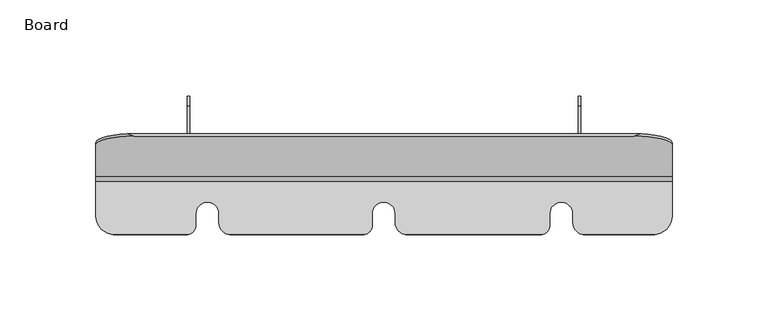
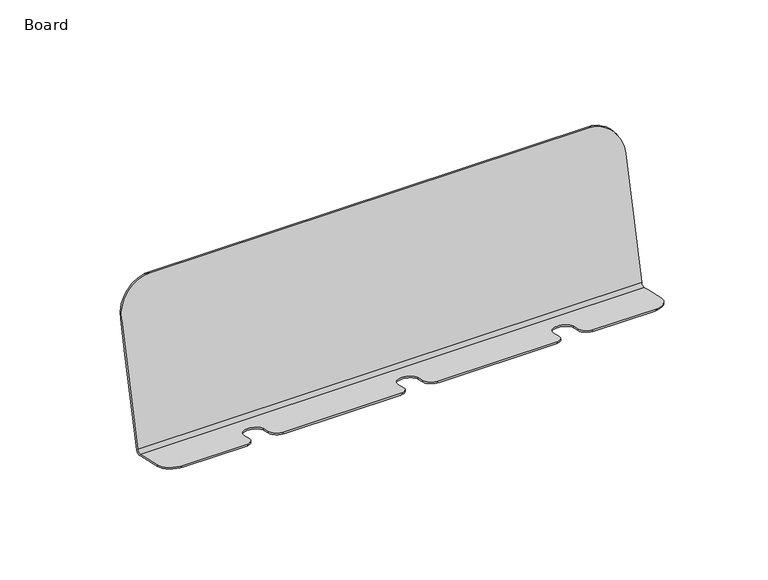
"""IFC4 building model written with IfcOpenShell, lengths in millimetres: furniture geometry, Board."""

import ifcopenshell
import ifcopenshell.guid

model = None  # the IFC model being written
_history = None  # IfcOwnerHistory: only IFC2X3 demands one
_inside = {}  # id of a spatial element -> (the spatial element, [elements in it])
_under = {}  # id of a project, library or spatial element -> (it, [spatial elements below it])
_declared = {}  # id of a project -> (the project, [libraries it declares])
_typed = {}  # id of a type object -> (the type object, [elements of that type])
_made_of = {}  # id of a material, layer set ... -> (it, [elements and type objects made of it])


def new_model(schema):
    """Start an empty IFC model of exactly this schema.

    Asked for "IFC4X3", IfcOpenShell would pick the latest addendum, in which some entities
    have other attributes; the version numbers below select the first issue.
    IFC2X3 requires an IfcOwnerHistory on every rooted entity: one is made here for all.
    """
    global model, _history
    if schema == "IFC4X3":
        model = ifcopenshell.file(schema_version=(4, 3, 0, 0))
    else:
        model = ifcopenshell.file(schema=schema)
    _inside.clear()
    _under.clear()
    _declared.clear()
    _typed.clear()
    _made_of.clear()
    _history = None
    if model.schema == "IFC2X3":
        org = make("IfcOrganization", Name="unknown")
        user = make(
            "IfcPersonAndOrganization",
            ThePerson=make("IfcPerson", FamilyName="unknown"),
            TheOrganization=org,
        )
        app = make(
            "IfcApplication",
            ApplicationDeveloper=org,
            Version="unknown",
            ApplicationFullName="unknown",
            ApplicationIdentifier="unknown",
        )
        _history = make(
            "IfcOwnerHistory",
            OwningUser=user,
            OwningApplication=app,
            ChangeAction="ADDED",
            CreationDate=0,
        )
    return model


def make(cls, **values):
    """One entity of the class cls with the attributes given. An attribute that is None is left unset."""
    return model.create_entity(
        cls, **{name: value for name, value in values.items() if value is not None}
    )


def rooted(cls, **values):
    """An entity with a GlobalId (a new one), such as an element, a storey or a relation."""
    return make(cls, GlobalId=ifcopenshell.guid.new(), OwnerHistory=_history, **values)


def si_unit(unit_type, name, prefix=None):
    """IfcSIUnit, for example si_unit("LENGTHUNIT", "METRE", prefix="MILLI")."""
    return make("IfcSIUnit", UnitType=unit_type, Prefix=prefix, Name=name)


def assignment(units):
    """IfcUnitAssignment: the units of a project."""
    return None if units is None else make("IfcUnitAssignment", Units=units)


def point(xyz):
    """IfcCartesianPoint."""
    return None if xyz is None else make("IfcCartesianPoint", Coordinates=xyz)


def direction(xyz):
    """IfcDirection."""
    return None if xyz is None else make("IfcDirection", DirectionRatios=xyz)


def frame(location, z_axis=None, x_axis=None):
    """IfcAxis2Placement3D, a coordinate frame: its origin and axes. An axis left out is left unset."""
    return make(
        "IfcAxis2Placement3D",
        Location=point(location),
        Axis=direction(z_axis),
        RefDirection=direction(x_axis),
    )


def frame_2d(location, x_axis=None):
    """IfcAxis2Placement2D, a coordinate frame in the plane: its origin and x axis."""
    return make(
        "IfcAxis2Placement2D", Location=point(location), RefDirection=direction(x_axis)
    )


def origin():
    """The frame at (0, 0, 0) with its axes left unset."""
    return frame((0.0, 0.0, 0.0))


def place(relative_to, where):
    """IfcLocalPlacement: puts the frame where relative to a parent placement (None: the world)."""
    return make(
        "IfcLocalPlacement", PlacementRelTo=relative_to, RelativePlacement=where
    )


def context(
    kind, dimensions, precision=None, world=None, true_north=None, identifier=None
):
    """IfcGeometricRepresentationContext, for example the 3D "Model" context."""
    return make(
        "IfcGeometricRepresentationContext",
        ContextIdentifier=identifier,
        ContextType=kind,
        CoordinateSpaceDimension=dimensions,
        Precision=precision,
        WorldCoordinateSystem=world,
        TrueNorth=true_north,
    )


def project(units=None, contexts=None):
    """IfcProject with its units and contexts."""
    return rooted(
        "IfcProject",
        Name="project",
        RepresentationContexts=contexts,
        UnitsInContext=assignment(units),
    )


def spatial(cls, under=None, at=None, **own):
    """A site, building, storey or space (cls), placed at a placement, below another one or the project."""
    s = rooted(cls, ObjectPlacement=at, **own)
    if under is not None:
        _under.setdefault(under.id(), (under, []))[1].append(s)
    return s


def polyline(points):
    """IfcPolyline through the points."""
    return make("IfcPolyline", Points=[point(p) for p in points])


def circle_curve(where, radius):
    """IfcCircle in the frame where."""
    return make("IfcCircle", Position=where, Radius=radius)


def ellipse_curve(where, semi_axis1, semi_axis2):
    """IfcEllipse in the frame where."""
    return make(
        "IfcEllipse", Position=where, SemiAxis1=semi_axis1, SemiAxis2=semi_axis2
    )


def trimmed(basis, trim1, trim2, sense, master):
    """IfcTrimmedCurve: the piece of a basis curve between two trims."""
    return make(
        "IfcTrimmedCurve",
        BasisCurve=basis,
        Trim1=trim1,
        Trim2=trim2,
        SenseAgreement=sense,
        MasterRepresentation=master,
    )


def segment(curve, same_sense, transition):
    """IfcCompositeCurveSegment."""
    return make(
        "IfcCompositeCurveSegment",
        Transition=transition,
        SameSense=same_sense,
        ParentCurve=curve,
    )


def composite_curve(segments, self_intersect=None):
    """IfcCompositeCurve: segments joined end to end."""
    return make("IfcCompositeCurve", Segments=segments, SelfIntersect=self_intersect)


def outline(outer, holes=None, kind="AREA"):
    """IfcArbitraryClosedProfileDef: a profile drawn as a closed curve; with holes, ...WithVoids."""
    if holes is None:
        return make("IfcArbitraryClosedProfileDef", ProfileType=kind, OuterCurve=outer)
    return make(
        "IfcArbitraryProfileDefWithVoids",
        ProfileType=kind,
        OuterCurve=outer,
        InnerCurves=holes,
    )


def extrude(swept, where, along, depth):
    """IfcExtrudedAreaSolid: the profile swept, set in the frame where, extruded along a direction by depth."""
    return make(
        "IfcExtrudedAreaSolid",
        SweptArea=swept,
        Position=where,
        ExtrudedDirection=direction(along),
        Depth=depth,
    )


def shape(context_of_items, identifier, shape_type, items):
    """IfcShapeRepresentation: the items that make up one representation, for example the "Body"."""
    return make(
        "IfcShapeRepresentation",
        ContextOfItems=context_of_items,
        RepresentationIdentifier=identifier,
        RepresentationType=shape_type,
        Items=items,
    )


def source(mapping_origin, context_of_items, identifier, shape_type, items):
    """IfcRepresentationMap: a shape defined once, which mapped items show again and again."""
    return make(
        "IfcRepresentationMap",
        MappingOrigin=mapping_origin,
        MappedRepresentation=shape(context_of_items, identifier, shape_type, items),
    )


def transform(
    local_origin,
    x_axis=None,
    y_axis=None,
    z_axis=None,
    scale=None,
    scale2=None,
    scale3=None,
    uniform=True,
):
    """IfcCartesianTransformationOperator3D, or its non-uniform kind. x_axis, y_axis, z_axis: its Axis1, 2, 3."""
    if uniform:
        return make(
            "IfcCartesianTransformationOperator3D",
            Axis1=direction(x_axis),
            Axis2=direction(y_axis),
            LocalOrigin=point(local_origin),
            Scale=scale,
            Axis3=direction(z_axis),
        )
    return make(
        "IfcCartesianTransformationOperator3DnonUniform",
        Axis1=direction(x_axis),
        Axis2=direction(y_axis),
        LocalOrigin=point(local_origin),
        Scale=scale,
        Axis3=direction(z_axis),
        Scale2=scale2,
        Scale3=scale3,
    )


def mapped(mapping_source, mapping_target):
    """IfcMappedItem: shows the shape of a source again, moved by a transform."""
    return make(
        "IfcMappedItem", MappingSource=mapping_source, MappingTarget=mapping_target
    )


def made_of(thing, what):
    """Note that an element or type object is made of a material, layer set ...; save() writes the relation."""
    if what is not None:
        _made_of.setdefault(what.id(), (what, []))[1].append(thing)
    return thing


def element(
    cls,
    number,
    at=None,
    inside=None,
    cuts=None,
    type_object=None,
    material=None,
    context=None,
    identifier="Body",
    shape_type=None,
    held_by="IfcProductDefinitionShape",
    body=None,
    shapes=None,
    **own,
):
    """One element of the class cls, such as IfcWall. Its Tag is "e" and its number.

    at: its placement. inside: the storey or other place that contains it. cuts: it is an
    opening in that element (IfcRelVoidsElement). A single representation is given by context,
    identifier, shape_type and body (its items); several are given by shapes. held_by: the class
    of the entity that holds the representations. save() writes the other relations.
    """
    e = rooted(cls, Tag="e%d" % number, ObjectPlacement=at, **own)
    if body is not None:
        shapes = [shape(context, identifier, shape_type, body)]
    if shapes is not None:
        e.Representation = make(held_by, Representations=shapes)
    if inside is not None:
        _inside.setdefault(inside.id(), (inside, []))[1].append(e)
    if cuts is not None:
        rooted(
            "IfcRelVoidsElement", RelatingBuildingElement=cuts, RelatedOpeningElement=e
        )
    if type_object is not None:
        _typed.setdefault(type_object.id(), (type_object, []))[1].append(e)
    return made_of(e, material)


def aggregate(whole, parts):
    """IfcRelAggregates: a whole, such as a stair, and the parts it consists of."""
    return rooted("IfcRelAggregates", RelatingObject=whole, RelatedObjects=parts)


def save(model, path):
    """Write the relations noted so far, then the file.

    IfcRelAggregates (storeys below a building ...), IfcRelContainedInSpatialStructure (elements
    in a storey), IfcRelDefinesByType, IfcRelAssociatesMaterial and IfcRelDeclares: one each for
    every whole, place, type object, material and project.
    """
    for whole, parts in _under.values():
        aggregate(whole, parts)
    for where, things in _inside.values():
        rooted(
            "IfcRelContainedInSpatialStructure",
            RelatedElements=things,
            RelatingStructure=where,
        )
    for kind, things in _typed.values():
        rooted("IfcRelDefinesByType", RelatedObjects=things, RelatingType=kind)
    for what, things in _made_of.values():
        rooted("IfcRelAssociatesMaterial", RelatedObjects=things, RelatingMaterial=what)
    for by, libraries in _declared.values():
        rooted("IfcRelDeclares", RelatingContext=by, RelatedDefinitions=libraries)
    model.write(path)


def plane_surface(at):
    """IfcPlane: the flat surface through the origin of the frame at, square to its z axis."""
    return make("IfcPlane", Position=at)


def cylinder_surface(at, radius):
    """IfcCylindricalSurface: all points at the distance radius from the z axis of the frame at."""
    return make("IfcCylindricalSurface", Position=at, Radius=radius)


def revolved_surface(curve, axis_point, axis_direction):
    """IfcSurfaceOfRevolution: the curve turned about the line through axis_point along axis_direction."""
    return make(
        "IfcSurfaceOfRevolution",
        SweptCurve=make("IfcArbitraryOpenProfileDef", ProfileType="CURVE", Curve=curve),
        AxisPosition=make("IfcAxis1Placement", Location=point(axis_point), Axis=direction(axis_direction)),
    )


def advanced_brep(points, edges, surfaces, faces):
    """IfcAdvancedBrep: a solid bounded by faces that lie on surfaces and meet in shared edges.

    An edge is (start, end): straight between two places in points (the first is 0);
    or (start, end, curve); or (start, end, curve, False) where it runs against its curve.
    A face is (place in surfaces, loops), or (place, loops, False) where it looks against
    its surface's normal. A loop lists edges by number (the first is 1), with a minus sign
    where the edge is run from its end to its start. The first loop is the outer one.
    """
    corners = [point(p) for p in points]
    vertices = [make("IfcVertexPoint", VertexGeometry=c) for c in corners]
    made = []
    for start, end, *more in edges:
        made.append(
            make(
                "IfcEdgeCurve",
                EdgeStart=vertices[start],
                EdgeEnd=vertices[end],
                EdgeGeometry=more[0] if more else make("IfcPolyline", Points=[corners[start], corners[end]]),
                SameSense=more[1] if len(more) > 1 else True,
            )
        )
    hull = []
    for where, loops, *sense in faces:
        bounds = []
        for j, loop in enumerate(loops):
            ring = [make("IfcOrientedEdge", EdgeElement=made[abs(k) - 1], Orientation=k > 0) for k in loop]
            bounds.append(
                make(
                    "IfcFaceOuterBound" if j == 0 else "IfcFaceBound",
                    Bound=make("IfcEdgeLoop", EdgeList=ring),
                    Orientation=True,
                )
            )
        hull.append(make("IfcAdvancedFace", Bounds=bounds, FaceSurface=surfaces[where], SameSense=sense[0] if sense else True))
    return make("IfcAdvancedBrep", Outer=make("IfcClosedShell", CfsFaces=hull))


def board_cf55c680(model_context):
    return source(origin(), model_context, "Body", "SolidModel", [
        advanced_brep(
        [(150.5623005, -30.0020117, 821.9129118), (150.5623005, -32.4081275, 820.4094037), (150.5623005, -36.2655442, 821.2999585), (150.5623005, -50.2820164, 824.5359161), (150.5623005, -50.2820164, 823.4854522), (150.5623005, -36.2655442, 820.2494946), (150.5623005, -31.8638711, 819.2332883), (150.5623005, -28.9718979, 821.0403937), (150.5623005, -16.8119087, 873.7110937), (150.5623005, -12.2490719, 893.4749111), (150.5623005, -13.4806223, 893.4749111), (150.5623005, -18.0434591, 873.7110937), (-149.4379437, -28.9718979, 821.0403937), (-149.4379437, -31.8638711, 819.2332883), (-149.4379437, -36.2655442, 820.2494946), (-149.4379437, -50.2820164, 823.4854522), (-149.4379437, -50.2820164, 824.5359161), (-149.4379437, -36.2655442, 821.2999585), (-149.4379437, -32.4081275, 820.4094037), (-149.4379437, -30.0020117, 821.9129118), (-149.4379437, -18.0434591, 873.7110937), (-149.4379437, -13.4806223, 893.4749111), (-149.4379437, -12.2490719, 893.4749111), (-149.4379437, -16.8119087, 873.7110937), (-141.5714659, -60.0517699, 826.7914414), (-100.9381264, -60.0517699, 826.7914414), (-97.4379437, -55.2820164, 825.6902571), (-97.4379437, -49.215267, 824.2896376), (-85.4378231, -49.215267, 824.2896376), (-85.4378231, -53.8910943, 825.3691374), (-80.7468897, -60.0517699, 826.7914414), (-9.1039401, -60.0517699, 826.7914414), (-5.6037574, -55.2820164, 825.6902571), (-5.6037574, -49.215267, 824.2896376), (6.3963633, -49.215267, 824.2896376), (6.3963633, -53.8910943, 825.3691374), (11.0872966, -60.0517699, 826.7914414), (83.3960599, -60.0517699, 826.7914414), (86.8962426, -55.2820164, 825.6902571), (86.8962426, -49.215267, 824.2896376), (98.8963633, -49.215267, 824.2896376), (98.8963633, -53.8910943, 825.3691374), (103.5872966, -60.0517699, 826.7914414), (142.6958227, -60.0517699, 826.7914414), (-139.4379437, -60.2820164, 825.7941341), (-102.4379437, -60.2820164, 825.7941341), (-79.0469009, -60.2820164, 825.7941341), (-10.6037574, -60.2820164, 825.7941341), (12.7872854, -60.2820164, 825.7941341), (81.8962426, -60.2820164, 825.7941341), (105.2872854, -60.2820164, 825.7941341), (140.5623005, -60.2820164, 825.7941341), (98.8963633, -53.8910943, 824.3186735), (98.8963633, -49.215267, 823.2391737), (86.8962426, -49.215267, 823.2391737), (86.8962426, -55.2820164, 824.6397932), (6.3963633, -53.8910943, 824.3186735), (6.3963633, -49.215267, 823.2391737), (-5.6037574, -49.215267, 823.2391737), (-5.6037574, -55.2820164, 824.6397932), (-85.4378231, -53.8910943, 824.3186735), (-85.4378231, -49.215267, 823.2391737), (-97.4379437, -49.215267, 823.2391737), (-97.4379437, -55.2820164, 824.6397932), (-132.7127959, -7.6940282, 913.204973), (133.8371527, -7.6940282, 913.204973), (-129.4379437, -8.8632585, 913.4749111), (130.5623005, -8.8632585, 913.4749111)],
        [
            (0, 1, circle_curve(frame((150.5623005, -31.9568236, 822.3642157), z_axis=(-1.0, 0.0, 0.0), x_axis=(0.0, -1.0, 0.0)), 2.0062315)),
            (1, 2),
            (2, 3),
            (3, 4),
            (4, 5),
            (5, 6),
            (6, 7, circle_curve(frame((150.5623005, -31.3214372, 821.5828276), z_axis=(1.0, 0.0, 0.0), x_axis=(0.0, -1.0, 0.0)), 2.4113418)),
            (7, 8),
            (8, 9),
            (9, 10),
            (10, 11),
            (11, 0),
            (12, 13, circle_curve(frame((-149.4379437, -31.3214372, 821.5828276), z_axis=(-1.0, 0.0, 0.0), x_axis=(0.0, -1.0, 0.0)), 2.4113418)),
            (13, 14),
            (14, 15),
            (15, 16),
            (16, 17),
            (17, 18),
            (18, 19, circle_curve(frame((-149.4379437, -31.9568236, 822.3642157), z_axis=(1.0, 0.0, 0.0), x_axis=(0.0, -1.0, 0.0)), 2.0062315)),
            (19, 20),
            (20, 21),
            (21, 22),
            (22, 23),
            (23, 12),
            (0, 19),
            (18, 1),
            (16, 24, ellipse_curve(frame((-139.4379437, -50.2820164, 824.5359161), z_axis=(0.0, 0.22495105434386342, 0.9743700647852356), x_axis=(0.0, 0.9743700647852355, -0.2249510543438635)), 10.2630411, 10.0)),
            (24, 25),
            (25, 26, ellipse_curve(frame((-102.4379437, -55.2820164, 825.6902571), z_axis=(0.0, 0.22495105434386342, 0.9743700647852356), x_axis=(0.0, 0.9743700647852355, -0.2249510543438635)), 5.1315205, 5.0)),
            (26, 27),
            (27, 28, ellipse_curve(frame((-91.4378834, -49.215267, 824.2896376), z_axis=(0.0, -0.22495105434386342, -0.9743700647852356), x_axis=(0.0, -0.9743700647852355, 0.2249510543438635)), 6.1578865, 6.0000603)),
            (28, 29),
            (29, 30, ellipse_curve(frame((-79.0469009, -53.8910943, 825.3691374), z_axis=(0.0, 0.22495105434386342, 0.9743700647852356), x_axis=(0.0, 0.9743700647852355, -0.2249510543438635)), 6.5590296, 6.3909221)),
            (30, 31),
            (31, 32, ellipse_curve(frame((-10.6037574, -55.2820164, 825.6902571), z_axis=(0.0, 0.22495105434386342, 0.9743700647852356), x_axis=(0.0, 0.9743700647852355, -0.2249510543438635)), 5.1315205, 5.0)),
            (32, 33),
            (33, 34, ellipse_curve(frame((0.396303, -49.215267, 824.2896376), z_axis=(0.0, -0.22495105434386342, -0.9743700647852356), x_axis=(0.0, -0.9743700647852355, 0.2249510543438635)), 6.1578865, 6.0000603)),
            (34, 35),
            (35, 36, ellipse_curve(frame((12.7872854, -53.8910943, 825.3691374), z_axis=(0.0, 0.22495105434386342, 0.9743700647852356), x_axis=(0.0, 0.9743700647852355, -0.2249510543438635)), 6.5590296, 6.3909221)),
            (36, 37),
            (37, 38, ellipse_curve(frame((81.8962426, -55.2820164, 825.6902571), z_axis=(0.0, 0.22495105434386342, 0.9743700647852356), x_axis=(0.0, 0.9743700647852355, -0.2249510543438635)), 5.1315205, 5.0)),
            (38, 39),
            (39, 40, ellipse_curve(frame((92.896303, -49.215267, 824.2896376), z_axis=(0.0, -0.22495105434386342, -0.9743700647852356), x_axis=(0.0, -0.9743700647852355, 0.2249510543438635)), 6.1578865, 6.0000603)),
            (40, 41),
            (41, 42, ellipse_curve(frame((105.2872854, -53.8910943, 825.3691374), z_axis=(0.0, 0.22495105434386342, 0.9743700647852356), x_axis=(0.0, 0.9743700647852355, -0.2249510543438635)), 6.5590296, 6.3909221)),
            (42, 43),
            (43, 3, ellipse_curve(frame((140.5623005, -50.2820164, 824.5359161), z_axis=(0.0, 0.22495105434386342, 0.9743700647852356), x_axis=(0.0, 0.9743700647852355, -0.2249510543438635)), 10.2630411, 10.0)),
            (24, 44, ellipse_curve(frame((-139.4379437, -50.2820164, 869.1088929), z_axis=(0.0, -0.9743700647852347, 0.2249510543438673), x_axis=(0.0, -0.22495105434386733, -0.9743700647852348)), 44.4541148, 10.0)),
            (44, 45),
            (45, 25, ellipse_curve(frame((-102.4379437, -55.2820164, 847.4515135), z_axis=(0.0, -0.9743700647852347, 0.2249510543438673), x_axis=(0.0, -0.22495105434386733, -0.9743700647852348)), 22.2270574, 5.0)),
            (30, 46, ellipse_curve(frame((-79.0469009, -53.8910943, 853.4762591), z_axis=(0.0, -0.9743700647852347, 0.2249510543438673), x_axis=(0.0, -0.22495105434386733, -0.9743700647852348)), 28.4102786, 6.3909221)),
            (46, 47),
            (47, 31, ellipse_curve(frame((-10.6037574, -55.2820164, 847.4515135), z_axis=(0.0, -0.9743700647852347, 0.2249510543438673), x_axis=(0.0, -0.22495105434386733, -0.9743700647852348)), 22.2270574, 5.0)),
            (36, 48, ellipse_curve(frame((12.7872854, -53.8910943, 853.4762591), z_axis=(0.0, -0.9743700647852347, 0.2249510543438673), x_axis=(0.0, -0.22495105434386733, -0.9743700647852348)), 28.4102786, 6.3909221)),
            (48, 49),
            (49, 37, ellipse_curve(frame((81.8962426, -55.2820164, 847.4515135), z_axis=(0.0, -0.9743700647852347, 0.2249510543438673), x_axis=(0.0, -0.22495105434386733, -0.9743700647852348)), 22.2270574, 5.0)),
            (42, 50, ellipse_curve(frame((105.2872854, -53.8910943, 853.4762591), z_axis=(0.0, -0.9743700647852347, 0.2249510543438673), x_axis=(0.0, -0.22495105434386733, -0.9743700647852348)), 28.4102786, 6.3909221)),
            (50, 51),
            (51, 43, ellipse_curve(frame((140.5623005, -50.2820164, 869.1088929), z_axis=(0.0, -0.9743700647852347, 0.2249510543438673), x_axis=(0.0, -0.22495105434386733, -0.9743700647852348)), 44.4541148, 10.0)),
            (13, 6),
            (4, 51, ellipse_curve(frame((140.5623005, -50.2820164, 823.4854522), z_axis=(0.0, -0.22495105434386695, -0.9743700647852348), x_axis=(0.0, 0.9743700647852348, -0.2249510543438669)), 10.2630411, 10.0)),
            (50, 52, ellipse_curve(frame((105.2872854, -53.8910943, 824.3186735), z_axis=(0.0, -0.22495105434386695, -0.9743700647852348), x_axis=(0.0, 0.9743700647852348, -0.2249510543438669)), 6.5590296, 6.3909221)),
            (52, 53),
            (53, 54, ellipse_curve(frame((92.896303, -49.215267, 823.2391737), z_axis=(0.0, 0.22495105434386695, 0.9743700647852348), x_axis=(0.0, -0.9743700647852348, 0.2249510543438669)), 6.1578865, 6.0000603)),
            (54, 55),
            (55, 49, ellipse_curve(frame((81.8962426, -55.2820164, 824.6397932), z_axis=(0.0, -0.22495105434386695, -0.9743700647852348), x_axis=(0.0, 0.9743700647852348, -0.2249510543438669)), 5.1315205, 5.0)),
            (48, 56, ellipse_curve(frame((12.7872854, -53.8910943, 824.3186735), z_axis=(0.0, -0.22495105434386695, -0.9743700647852348), x_axis=(0.0, 0.9743700647852348, -0.2249510543438669)), 6.5590296, 6.3909221)),
            (56, 57),
            (57, 58, ellipse_curve(frame((0.396303, -49.215267, 823.2391737), z_axis=(0.0, 0.22495105434386695, 0.9743700647852348), x_axis=(0.0, -0.9743700647852348, 0.2249510543438669)), 6.1578865, 6.0000603)),
            (58, 59),
            (59, 47, ellipse_curve(frame((-10.6037574, -55.2820164, 824.6397932), z_axis=(0.0, -0.22495105434386695, -0.9743700647852348), x_axis=(0.0, 0.9743700647852348, -0.2249510543438669)), 5.1315205, 5.0)),
            (46, 60, ellipse_curve(frame((-79.0469009, -53.8910943, 824.3186735), z_axis=(0.0, -0.22495105434386695, -0.9743700647852348), x_axis=(0.0, 0.9743700647852348, -0.2249510543438669)), 6.5590296, 6.3909221)),
            (60, 61),
            (61, 62, ellipse_curve(frame((-91.4378834, -49.215267, 823.2391737), z_axis=(0.0, 0.22495105434386695, 0.9743700647852348), x_axis=(0.0, -0.9743700647852348, 0.2249510543438669)), 6.1578865, 6.0000603)),
            (62, 63),
            (63, 45, ellipse_curve(frame((-102.4379437, -55.2820164, 824.6397932), z_axis=(0.0, -0.22495105434386695, -0.9743700647852348), x_axis=(0.0, 0.9743700647852348, -0.2249510543438669)), 5.1315205, 5.0)),
            (44, 15, ellipse_curve(frame((-139.4379437, -50.2820164, 823.4854522), z_axis=(0.0, -0.22495105434386695, -0.9743700647852348), x_axis=(0.0, 0.9743700647852348, -0.2249510543438669)), 10.2630411, 10.0)),
            (12, 7),
            (22, 64, ellipse_curve(frame((-129.4379437, -12.2490719, 893.4749111), z_axis=(0.0, 0.9743700647852355, -0.22495105434386425), x_axis=(0.0, 0.22495105434386375, 0.9743700647852356)), 20.5260822, 20.0)),
            (64, 65),
            (65, 9, ellipse_curve(frame((130.5623005, -12.2490719, 893.4749111), z_axis=(0.0, 0.9743700647852355, -0.22495105434386425), x_axis=(0.0, 0.22495105434386375, 0.9743700647852356)), 20.5260822, 20.0)),
            (64, 66, ellipse_curve(frame((-129.4379437, 77.766259, 893.4749111), z_axis=(0.0, 0.2249510543438815, 0.9743700647852315), x_axis=(0.0, 0.9743700647852315, -0.22495105434388152)), 88.9082297, 20.0)),
            (66, 67),
            (67, 65, ellipse_curve(frame((130.5623005, 77.766259, 893.4749111), z_axis=(0.0, 0.2249510543438815, 0.9743700647852315), x_axis=(0.0, 0.9743700647852315, -0.22495105434388152)), 88.9082297, 20.0)),
            (10, 67, ellipse_curve(frame((130.5623005, -13.4806223, 893.4749111), z_axis=(0.0, -0.974370064785235, 0.2249510543438663), x_axis=(0.0, 0.22495105434386564, 0.9743700647852351)), 20.5260822, 20.0)),
            (66, 21, ellipse_curve(frame((-129.4379437, -13.4806223, 893.4749111), z_axis=(0.0, -0.974370064785235, 0.2249510543438663), x_axis=(0.0, 0.22495105434386564, 0.9743700647852351)), 20.5260822, 20.0)),
            (41, 52),
            (40, 53),
            (39, 54),
            (38, 55),
            (35, 56),
            (34, 57),
            (33, 58),
            (32, 59),
            (29, 60),
            (28, 61),
            (27, 62),
            (26, 63),
        ],
        [
            plane_surface(frame((150.5623005, -33.9630551, 822.3642157), z_axis=(1.0, 0.0, 0.0), x_axis=(0.0, 0.0, 1.0))),
            plane_surface(frame((-149.4379437, -33.9630551, 822.3642157), z_axis=(-1.0, 0.0, 0.0), x_axis=(0.0, 0.0, -1.0))),
            revolved_surface(polyline([(-149.4379437, -33.9630551, 822.3642157), (150.5623005, -33.9630551, 822.3642157)]), (-149.4379437, -31.9568236, 822.3642157), (-1.0, 0.0, 0.0)),
            plane_surface(frame((150.5623005, -32.4081275, 820.4094037), z_axis=(0.0, 0.22495105434386342, 0.9743700647852356), x_axis=(-1.0, 0.0, 0.0))),
            plane_surface(frame((150.5623005, -60.0517699, 826.7914414), z_axis=(0.0, -0.9743700647852347, 0.2249510543438673), x_axis=(-1.0, 0.0, 0.0))),
            plane_surface(frame((150.5623005, -60.2820164, 825.7941341), z_axis=(0.0, -0.22495105434386695, -0.9743700647852348), x_axis=(-1.0, 0.0, 0.0))),
            cylinder_surface(frame((-149.4379437, -31.3214372, 821.5828276), z_axis=(1.0, 0.0, 0.0), x_axis=(0.0, -1.0, 0.0)), 2.4113418),
            plane_surface(frame((150.5623005, -28.9718979, 821.0403937), z_axis=(0.0, 0.9743700647852355, -0.22495105434386425), x_axis=(-1.0, 0.0, 0.0))),
            plane_surface(frame((150.5623005, -7.6940282, 913.204973), z_axis=(0.0, 0.2249510543438815, 0.9743700647852315), x_axis=(-1.0, 0.0, 0.0))),
            plane_surface(frame((150.5623005, -8.8632585, 913.4749111), z_axis=(0.0, -0.974370064785235, 0.2249510543438663), x_axis=(-1.0, 0.0, 0.0))),
            cylinder_surface(frame((-129.4379437, 0.0, 893.4749111), z_axis=(0.0, 1.0, 0.0), x_axis=(1.0, 0.0, 0.0)), 20.0),
            cylinder_surface(frame((130.5623005, 0.0, 893.4749111), z_axis=(0.0, 1.0, 0.0), x_axis=(1.0, 0.0, 0.0)), 20.0),
            cylinder_surface(frame((140.5623005, -50.2820164, 809.4519452), z_axis=(0.0, 0.0, -1.0), x_axis=(1.0, 0.0, 0.0)), 10.0),
            cylinder_surface(frame((105.2872854, -53.8910943, 809.4519452), z_axis=(0.0, 0.0, -1.0), x_axis=(1.0, 0.0, 0.0)), 6.3909221),
            plane_surface(frame((98.8963633, -53.8910943, 855.9352228), z_axis=(-1.0, 0.0, 0.0), x_axis=(0.0, 0.0, -1.0))),
            revolved_surface(polyline([(98.8963633, -49.215267, 825.6748606607048), (98.8963633, -49.215267, 821.8539506392951)]), (92.896303, -49.215267, 809.4519452), (0.0, 0.0, 1.0)),
            plane_surface(frame((86.8962426, -49.215267, 855.9352228), z_axis=(1.0, 0.0, 0.0), x_axis=(0.0, 0.0, -1.0))),
            cylinder_surface(frame((81.8962426, -55.2820164, 809.4519452), z_axis=(0.0, 0.0, -1.0), x_axis=(1.0, 0.0, 0.0)), 5.0),
            cylinder_surface(frame((12.7872854, -53.8910943, 809.4519452), z_axis=(0.0, 0.0, -1.0), x_axis=(1.0, 0.0, 0.0)), 6.3909221),
            plane_surface(frame((6.3963633, -53.8910943, 855.9352228), z_axis=(-1.0, 0.0, 0.0), x_axis=(0.0, 0.0, -1.0))),
            revolved_surface(polyline([(6.3963633, -49.215267, 825.6748606607048), (6.3963633, -49.215267, 821.8539506392951)]), (0.396303, -49.215267, 809.4519452), (0.0, 0.0, 1.0)),
            plane_surface(frame((-5.6037574, -49.215267, 855.9352228), z_axis=(1.0, 0.0, 0.0), x_axis=(0.0, 0.0, -1.0))),
            cylinder_surface(frame((-10.6037574, -55.2820164, 809.4519452), z_axis=(0.0, 0.0, -1.0), x_axis=(1.0, 0.0, 0.0)), 5.0),
            cylinder_surface(frame((-79.0469009, -53.8910943, 809.4519452), z_axis=(0.0, 0.0, -1.0), x_axis=(1.0, 0.0, 0.0)), 6.3909221),
            plane_surface(frame((-85.4378231, -53.8910943, 855.9352228), z_axis=(-1.0, 0.0, 0.0), x_axis=(0.0, 0.0, -1.0))),
            revolved_surface(polyline([(-85.4378231, -49.215267, 825.6748606607048), (-85.4378231, -49.215267, 821.8539506392951)]), (-91.4378834, -49.215267, 809.4519452), (0.0, 0.0, 1.0)),
            plane_surface(frame((-97.4379437, -49.215267, 855.9352228), z_axis=(1.0, 0.0, 0.0), x_axis=(0.0, 0.0, -1.0))),
            cylinder_surface(frame((-102.4379437, -55.2820164, 809.4519452), z_axis=(0.0, 0.0, -1.0), x_axis=(1.0, 0.0, 0.0)), 5.0),
            cylinder_surface(frame((-139.4379437, -50.2820164, 809.4519452), z_axis=(0.0, 0.0, -1.0), x_axis=(1.0, 0.0, 0.0)), 10.0),
        ],
        [
            (0, [[1, 2, 3, 4, 5, 6, 7, 8, 9, 10, 11, 12]]),
            (1, [[13, 14, 15, 16, 17, 18, 19, 20, 21, 22, 23, 24]]),
            (2, [[-1, 25, -19, 26]]),
            (3, [[-26, -18, -17, 27, 28, 29, 30, 31, 32, 33, 34, 35, 36, 37, 38, 39, 40, 41, 42, 43, 44, 45, 46, 47, -3, -2]]),
            (4, [[-28, 48, 49, 50]]),
            (4, [[-34, 51, 52, 53]]),
            (4, [[-40, 54, 55, 56]]),
            (4, [[-46, 57, 58, 59]]),
            (5, [[60, -6, -5, 61, -58, 62, 63, 64, 65, 66, -55, 67, 68, 69, 70, 71, -52, 72, 73, 74, 75, 76, -49, 77, -15, -14]]),
            (6, [[-7, -60, -13, 78]]),
            (7, [[-78, -24, -23, 79, 80, 81, -9, -8]]),
            (8, [[-80, 82, 83, 84]]),
            (9, [[-25, -12, -11, 85, -83, 86, -21, -20]]),
            (10, [[-22, -86, -82, -79]]),
            (11, [[-10, -81, -84, -85]]),
            (12, [[-4, -47, -59, -61]]),
            (13, [[87, -62, -57, -45]]),
            (14, [[-87, -44, 88, -63]]),
            (15, [[-88, -43, 89, -64]]),
            (16, [[-89, -42, 90, -65]]),
            (17, [[-90, -41, -56, -66]]),
            (18, [[91, -67, -54, -39]]),
            (19, [[-91, -38, 92, -68]]),
            (20, [[-92, -37, 93, -69]]),
            (21, [[-93, -36, 94, -70]]),
            (22, [[-94, -35, -53, -71]]),
            (23, [[95, -72, -51, -33]]),
            (24, [[-95, -32, 96, -73]]),
            (25, [[-96, -31, 97, -74]]),
            (26, [[-97, -30, 98, -75]]),
            (27, [[-98, -29, -50, -76]]),
            (28, [[-16, -77, -48, -27]]),
        ],
    ),
        extrude(outline(polyline([(-11.2932953, 897.6148344), (-10.095686, 897.4677865), (-27.4562787, 822.2707244), (-28.6878537, 822.2707244), (-11.2932953, 897.6148344)])), frame((-100.6377728, 0.0, 0.0), z_axis=(1.0, 0.0, 0.0), x_axis=(0.0, 1.0, 0.0)), (0.0, 0.0, 1.0), 202.4001465),
        extrude(outline(composite_curve([segment(polyline([(-8.9145158, 897.3227571), (7.0170974, 897.3227571)]), True, "CONTINUOUS"), segment(trimmed(circle_curve(frame_2d((7.0170974, 892.3227571)), 5.0), [point((7.0170974, 897.3227571))], [point((12.0170974, 892.3227571))], False, "CARTESIAN"), True, "CONTINUOUS"), segment(polyline([(12.0170974, 892.3227571), (12.0170974, 885.4410966)]), True, "CONTINUOUS"), segment(trimmed(circle_curve(frame_2d((7.4634802, 885.4410966)), 4.5536172), [point((12.0170974, 885.4410966))], [point((2.9098629, 885.4410966))], False, "CARTESIAN"), True, "CONTINUOUS"), segment(polyline([(2.9098629, 885.4410966), (2.9098629, 888.7719131), (-2.5161244, 888.7719131), (-2.5161244, 887.0033547), (-1.3727746, 885.0230147), (-1.3727746, 836.7305861), (0.0, 836.7305861), (0.0, 831.8823533), (1.4231234, 831.8823533)]), True, "CONTINUOUS"), segment(trimmed(circle_curve(frame_2d((1.4231234, 829.2307847)), 2.6515686), [point((1.4231234, 831.8823533))], [point((4.074692, 829.2307847))], False, "CARTESIAN"), True, "CONTINUOUS"), segment(polyline([(4.074692, 829.2307847), (4.074692, 824.1638098)]), True, "CONTINUOUS"), segment(trimmed(circle_curve(frame_2d((2.1816066, 824.1638098)), 1.8930854), [point((4.074692, 824.1638098))], [point((2.1816066, 822.2707244))], False, "CARTESIAN"), True, "CONTINUOUS"), segment(polyline([(2.1816066, 822.2707244), (-26.4613838, 822.2707244), (-28.6878537, 822.2707244), (-11.2932953, 897.6148344), (-8.9145158, 897.3227571)]), True, "CONTINUOUS")], self_intersect=False)), frame((101.7623737, 0.0, 0.0), z_axis=(1.0, 0.0, 0.0), x_axis=(0.0, 1.0, 0.0)), (0.0, 0.0, 1.0), 1.2001953),
        extrude(outline(composite_curve([segment(polyline([(-8.9145158, 897.3227571), (7.0170974, 897.3227571)]), True, "CONTINUOUS"), segment(trimmed(circle_curve(frame_2d((7.0170974, 892.3227571)), 5.0), [point((7.0170974, 897.3227571))], [point((12.0170974, 892.3227571))], False, "CARTESIAN"), True, "CONTINUOUS"), segment(polyline([(12.0170974, 892.3227571), (12.0170974, 885.4410966)]), True, "CONTINUOUS"), segment(trimmed(circle_curve(frame_2d((7.4634802, 885.4410966)), 4.5536172), [point((12.0170974, 885.4410966))], [point((2.9098629, 885.4410966))], False, "CARTESIAN"), True, "CONTINUOUS"), segment(polyline([(2.9098629, 885.4410966), (2.9098629, 888.7719131), (-2.5161244, 888.7719131), (-2.5161244, 887.0033547), (-1.3727746, 885.0230147), (-1.3727746, 836.7305861), (0.0, 836.7305861), (0.0, 831.8823533), (1.4231234, 831.8823533)]), True, "CONTINUOUS"), segment(trimmed(circle_curve(frame_2d((1.4231234, 829.2307847)), 2.6515686), [point((1.4231234, 831.8823533))], [point((4.074692, 829.2307847))], False, "CARTESIAN"), True, "CONTINUOUS"), segment(polyline([(4.074692, 829.2307847), (4.074692, 824.1638098)]), True, "CONTINUOUS"), segment(trimmed(circle_curve(frame_2d((2.1816066, 824.1638098)), 1.8930854), [point((4.074692, 824.1638098))], [point((2.1816066, 822.2707244))], False, "CARTESIAN"), True, "CONTINUOUS"), segment(polyline([(2.1816066, 822.2707244), (-26.4613838, 822.2707244), (-28.6878537, 822.2707244), (-11.2932953, 897.6148344), (-8.9145158, 897.3227571)]), True, "CONTINUOUS")], self_intersect=False)), frame((-101.8398357, 0.0, 0.0), z_axis=(1.0, 0.0, 0.0), x_axis=(0.0, 1.0, 0.0)), (0.0, 0.0, 1.0), 1.2020629),
    ])


if __name__ == "__main__":
    model = new_model("IFC4")
    model_context = context("Model", 3, world=origin())
    ifc_project = project(units=[si_unit("LENGTHUNIT", "METRE", prefix="MILLI")], contexts=[model_context])
    site = spatial("IfcSite", under=ifc_project)
    building = spatial("IfcBuilding", under=site)
    placement = place(None, origin())
    board_shape = board_cf55c680(model_context)
    element("IfcFurniture", 1, ObjectType="Board", at=placement, inside=building, context=model_context, shape_type="MappedRepresentation", body=[
        mapped(board_shape, transform((0.0, 0.0, 0.0), x_axis=(1.0, 0.0, 0.0), y_axis=(0.0, 1.0, 0.0), z_axis=(0.0, 0.0, 1.0))),
    ])
    save(model, "model.ifc")
